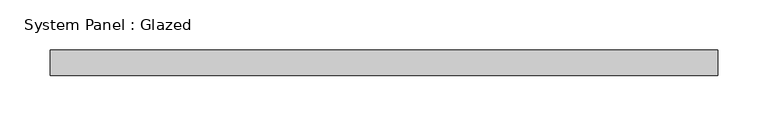
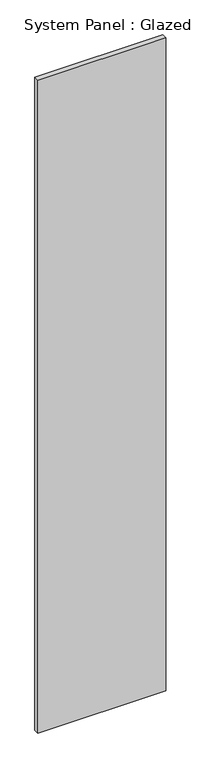
"""IFC4 building model written with IfcOpenShell, lengths in millimetres: plate geometry, System Panel : Glazed."""

from ifc_helpers import new_model, si_unit, origin, origin_with_axes, place, context, project, spatial, polyline, outline, extrude, source, transform, mapped, element, save


def system_panel_glazed_b5ba6415(model_context):
    return source(origin(), model_context, "Body", "SweptSolid", [
        extrude(outline(polyline([(333.375, 19.05), (-333.375, 19.05), (-333.375, 44.45), (333.375, 44.45), (333.375, 19.05)])), origin_with_axes(), (0.0, 0.0, 1.0), 3594.1),
    ])


if __name__ == "__main__":
    model = new_model("IFC4")
    model_context = context("Model", 3, world=origin())
    ifc_project = project(units=[si_unit("LENGTHUNIT", "METRE", prefix="MILLI")], contexts=[model_context])
    site = spatial("IfcSite", under=ifc_project)
    building = spatial("IfcBuilding", under=site)
    placement = place(None, origin())
    system_panel_glazed_shape = system_panel_glazed_b5ba6415(model_context)
    element("IfcPlate", 1, ObjectType="System Panel : Glazed", at=placement, inside=building, context=model_context, shape_type="MappedRepresentation", body=[
        mapped(system_panel_glazed_shape, transform((0.0, 0.0, 0.0), x_axis=(1.0, 0.0, 0.0), y_axis=(0.0, 1.0, 0.0), z_axis=(0.0, 0.0, 1.0))),
    ])
    save(model, "model.ifc")
